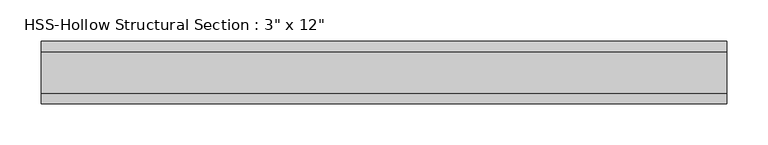
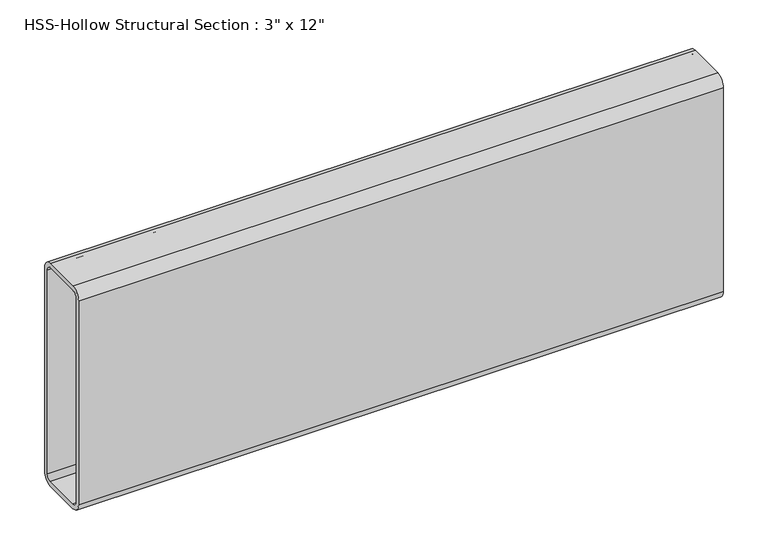
"""IFC4 building model written with IfcOpenShell, lengths in millimetres: beam geometry."""

import ifcopenshell
import ifcopenshell.guid

model = None  # the IFC model being written
_history = None  # IfcOwnerHistory: only IFC2X3 demands one
_inside = {}  # id of a spatial element -> (the spatial element, [elements in it])
_under = {}  # id of a project, library or spatial element -> (it, [spatial elements below it])
_declared = {}  # id of a project -> (the project, [libraries it declares])
_typed = {}  # id of a type object -> (the type object, [elements of that type])
_made_of = {}  # id of a material, layer set ... -> (it, [elements and type objects made of it])


def new_model(schema):
    """Start an empty IFC model of exactly this schema.

    Asked for "IFC4X3", IfcOpenShell would pick the latest addendum, in which some entities
    have other attributes; the version numbers below select the first issue.
    IFC2X3 requires an IfcOwnerHistory on every rooted entity: one is made here for all.
    """
    global model, _history
    if schema == "IFC4X3":
        model = ifcopenshell.file(schema_version=(4, 3, 0, 0))
    else:
        model = ifcopenshell.file(schema=schema)
    _inside.clear()
    _under.clear()
    _declared.clear()
    _typed.clear()
    _made_of.clear()
    _history = None
    if model.schema == "IFC2X3":
        org = make("IfcOrganization", Name="unknown")
        user = make(
            "IfcPersonAndOrganization",
            ThePerson=make("IfcPerson", FamilyName="unknown"),
            TheOrganization=org,
        )
        app = make(
            "IfcApplication",
            ApplicationDeveloper=org,
            Version="unknown",
            ApplicationFullName="unknown",
            ApplicationIdentifier="unknown",
        )
        _history = make(
            "IfcOwnerHistory",
            OwningUser=user,
            OwningApplication=app,
            ChangeAction="ADDED",
            CreationDate=0,
        )
    return model


def make(cls, **values):
    """One entity of the class cls with the attributes given. An attribute that is None is left unset."""
    return model.create_entity(
        cls, **{name: value for name, value in values.items() if value is not None}
    )


def rooted(cls, **values):
    """An entity with a GlobalId (a new one), such as an element, a storey or a relation."""
    return make(cls, GlobalId=ifcopenshell.guid.new(), OwnerHistory=_history, **values)


def si_unit(unit_type, name, prefix=None):
    """IfcSIUnit, for example si_unit("LENGTHUNIT", "METRE", prefix="MILLI")."""
    return make("IfcSIUnit", UnitType=unit_type, Prefix=prefix, Name=name)


def assignment(units):
    """IfcUnitAssignment: the units of a project."""
    return None if units is None else make("IfcUnitAssignment", Units=units)


def point(xyz):
    """IfcCartesianPoint."""
    return None if xyz is None else make("IfcCartesianPoint", Coordinates=xyz)


def direction(xyz):
    """IfcDirection."""
    return None if xyz is None else make("IfcDirection", DirectionRatios=xyz)


def frame(location, z_axis=None, x_axis=None):
    """IfcAxis2Placement3D, a coordinate frame: its origin and axes. An axis left out is left unset."""
    return make(
        "IfcAxis2Placement3D",
        Location=point(location),
        Axis=direction(z_axis),
        RefDirection=direction(x_axis),
    )


def frame_2d(location, x_axis=None):
    """IfcAxis2Placement2D, a coordinate frame in the plane: its origin and x axis."""
    return make(
        "IfcAxis2Placement2D", Location=point(location), RefDirection=direction(x_axis)
    )


def origin():
    """The frame at (0, 0, 0) with its axes left unset."""
    return frame((0.0, 0.0, 0.0))


def place(relative_to, where):
    """IfcLocalPlacement: puts the frame where relative to a parent placement (None: the world)."""
    return make(
        "IfcLocalPlacement", PlacementRelTo=relative_to, RelativePlacement=where
    )


def context(
    kind, dimensions, precision=None, world=None, true_north=None, identifier=None
):
    """IfcGeometricRepresentationContext, for example the 3D "Model" context."""
    return make(
        "IfcGeometricRepresentationContext",
        ContextIdentifier=identifier,
        ContextType=kind,
        CoordinateSpaceDimension=dimensions,
        Precision=precision,
        WorldCoordinateSystem=world,
        TrueNorth=true_north,
    )


def project(units=None, contexts=None):
    """IfcProject with its units and contexts."""
    return rooted(
        "IfcProject",
        Name="project",
        RepresentationContexts=contexts,
        UnitsInContext=assignment(units),
    )


def spatial(cls, under=None, at=None, **own):
    """A site, building, storey or space (cls), placed at a placement, below another one or the project."""
    s = rooted(cls, ObjectPlacement=at, **own)
    if under is not None:
        _under.setdefault(under.id(), (under, []))[1].append(s)
    return s


def polyline(points):
    """IfcPolyline through the points."""
    return make("IfcPolyline", Points=[point(p) for p in points])


def circle_curve(where, radius):
    """IfcCircle in the frame where."""
    return make("IfcCircle", Position=where, Radius=radius)


def trimmed(basis, trim1, trim2, sense, master):
    """IfcTrimmedCurve: the piece of a basis curve between two trims."""
    return make(
        "IfcTrimmedCurve",
        BasisCurve=basis,
        Trim1=trim1,
        Trim2=trim2,
        SenseAgreement=sense,
        MasterRepresentation=master,
    )


def segment(curve, same_sense, transition):
    """IfcCompositeCurveSegment."""
    return make(
        "IfcCompositeCurveSegment",
        Transition=transition,
        SameSense=same_sense,
        ParentCurve=curve,
    )


def composite_curve(segments, self_intersect=None):
    """IfcCompositeCurve: segments joined end to end."""
    return make("IfcCompositeCurve", Segments=segments, SelfIntersect=self_intersect)


def outline(outer, holes=None, kind="AREA"):
    """IfcArbitraryClosedProfileDef: a profile drawn as a closed curve; with holes, ...WithVoids."""
    if holes is None:
        return make("IfcArbitraryClosedProfileDef", ProfileType=kind, OuterCurve=outer)
    return make(
        "IfcArbitraryProfileDefWithVoids",
        ProfileType=kind,
        OuterCurve=outer,
        InnerCurves=holes,
    )


def extrude(swept, where, along, depth):
    """IfcExtrudedAreaSolid: the profile swept, set in the frame where, extruded along a direction by depth."""
    return make(
        "IfcExtrudedAreaSolid",
        SweptArea=swept,
        Position=where,
        ExtrudedDirection=direction(along),
        Depth=depth,
    )


def shape(context_of_items, identifier, shape_type, items):
    """IfcShapeRepresentation: the items that make up one representation, for example the "Body"."""
    return make(
        "IfcShapeRepresentation",
        ContextOfItems=context_of_items,
        RepresentationIdentifier=identifier,
        RepresentationType=shape_type,
        Items=items,
    )


def source(mapping_origin, context_of_items, identifier, shape_type, items):
    """IfcRepresentationMap: a shape defined once, which mapped items show again and again."""
    return make(
        "IfcRepresentationMap",
        MappingOrigin=mapping_origin,
        MappedRepresentation=shape(context_of_items, identifier, shape_type, items),
    )


def transform(
    local_origin,
    x_axis=None,
    y_axis=None,
    z_axis=None,
    scale=None,
    scale2=None,
    scale3=None,
    uniform=True,
):
    """IfcCartesianTransformationOperator3D, or its non-uniform kind. x_axis, y_axis, z_axis: its Axis1, 2, 3."""
    if uniform:
        return make(
            "IfcCartesianTransformationOperator3D",
            Axis1=direction(x_axis),
            Axis2=direction(y_axis),
            LocalOrigin=point(local_origin),
            Scale=scale,
            Axis3=direction(z_axis),
        )
    return make(
        "IfcCartesianTransformationOperator3DnonUniform",
        Axis1=direction(x_axis),
        Axis2=direction(y_axis),
        LocalOrigin=point(local_origin),
        Scale=scale,
        Axis3=direction(z_axis),
        Scale2=scale2,
        Scale3=scale3,
    )


def mapped(mapping_source, mapping_target):
    """IfcMappedItem: shows the shape of a source again, moved by a transform."""
    return make(
        "IfcMappedItem", MappingSource=mapping_source, MappingTarget=mapping_target
    )


def made_of(thing, what):
    """Note that an element or type object is made of a material, layer set ...; save() writes the relation."""
    if what is not None:
        _made_of.setdefault(what.id(), (what, []))[1].append(thing)
    return thing


def element(
    cls,
    number,
    at=None,
    inside=None,
    cuts=None,
    type_object=None,
    material=None,
    context=None,
    identifier="Body",
    shape_type=None,
    held_by="IfcProductDefinitionShape",
    body=None,
    shapes=None,
    **own,
):
    """One element of the class cls, such as IfcWall. Its Tag is "e" and its number.

    at: its placement. inside: the storey or other place that contains it. cuts: it is an
    opening in that element (IfcRelVoidsElement). A single representation is given by context,
    identifier, shape_type and body (its items); several are given by shapes. held_by: the class
    of the entity that holds the representations. save() writes the other relations.
    """
    e = rooted(cls, Tag="e%d" % number, ObjectPlacement=at, **own)
    if body is not None:
        shapes = [shape(context, identifier, shape_type, body)]
    if shapes is not None:
        e.Representation = make(held_by, Representations=shapes)
    if inside is not None:
        _inside.setdefault(inside.id(), (inside, []))[1].append(e)
    if cuts is not None:
        rooted(
            "IfcRelVoidsElement", RelatingBuildingElement=cuts, RelatedOpeningElement=e
        )
    if type_object is not None:
        _typed.setdefault(type_object.id(), (type_object, []))[1].append(e)
    return made_of(e, material)


def aggregate(whole, parts):
    """IfcRelAggregates: a whole, such as a stair, and the parts it consists of."""
    return rooted("IfcRelAggregates", RelatingObject=whole, RelatedObjects=parts)


def save(model, path):
    """Write the relations noted so far, then the file.

    IfcRelAggregates (storeys below a building ...), IfcRelContainedInSpatialStructure (elements
    in a storey), IfcRelDefinesByType, IfcRelAssociatesMaterial and IfcRelDeclares: one each for
    every whole, place, type object, material and project.
    """
    for whole, parts in _under.values():
        aggregate(whole, parts)
    for where, things in _inside.values():
        rooted(
            "IfcRelContainedInSpatialStructure",
            RelatedElements=things,
            RelatingStructure=where,
        )
    for kind, things in _typed.values():
        rooted("IfcRelDefinesByType", RelatedObjects=things, RelatingType=kind)
    for what, things in _made_of.values():
        rooted("IfcRelAssociatesMaterial", RelatedObjects=things, RelatingMaterial=what)
    for by, libraries in _declared.values():
        rooted("IfcRelDeclares", RelatingContext=by, RelatedDefinitions=libraries)
    model.write(path)


def beam_b04ac9da(model_context):
    return source(origin(), model_context, "Body", "SweptSolid", [
        extrude(outline(composite_curve([segment(polyline([(38.1, 139.7), (38.1, -139.7)]), True, "CONTINUOUS"), segment(trimmed(circle_curve(frame_2d((25.4, -139.7)), 12.7), [point((38.1, -139.7))], [point((25.4, -152.4))], False, "CARTESIAN"), True, "CONTINUOUS"), segment(polyline([(25.4, -152.4), (-25.4, -152.4)]), True, "CONTINUOUS"), segment(trimmed(circle_curve(frame_2d((-25.4, -139.7)), 12.7), [point((-25.4, -152.4))], [point((-38.1, -139.7))], False, "CARTESIAN"), True, "CONTINUOUS"), segment(polyline([(-38.1, -139.7), (-38.1, 139.7)]), True, "CONTINUOUS"), segment(trimmed(circle_curve(frame_2d((-25.4, 139.7)), 12.7), [point((-38.1, 139.7))], [point((-25.4, 152.4))], False, "CARTESIAN"), True, "CONTINUOUS"), segment(polyline([(-25.4, 152.4), (25.4, 152.4)]), True, "CONTINUOUS"), segment(trimmed(circle_curve(frame_2d((25.4, 139.7)), 12.7), [point((25.4, 152.4))], [point((38.1, 139.7))], False, "CARTESIAN"), True, "CONTINUOUS")], self_intersect=False), holes=[composite_curve([segment(trimmed(circle_curve(frame_2d((-25.4, 139.7)), 6.35), [point((-25.4, 146.05))], [point((-31.75, 139.7))], True, "CARTESIAN"), True, "CONTINUOUS"), segment(polyline([(-31.75, 139.7), (-31.75, -139.7)]), True, "CONTINUOUS"), segment(trimmed(circle_curve(frame_2d((-25.4, -139.7)), 6.35), [point((-31.75, -139.7))], [point((-25.4, -146.05))], True, "CARTESIAN"), True, "CONTINUOUS"), segment(polyline([(-25.4, -146.05), (25.4, -146.05)]), True, "CONTINUOUS"), segment(trimmed(circle_curve(frame_2d((25.4, -139.7)), 6.35), [point((25.4, -146.05))], [point((31.75, -139.7))], True, "CARTESIAN"), True, "CONTINUOUS"), segment(polyline([(31.75, -139.7), (31.75, 139.7)]), True, "CONTINUOUS"), segment(trimmed(circle_curve(frame_2d((25.4, 139.7)), 6.35), [point((31.75, 139.7))], [point((25.4, 146.05))], True, "CARTESIAN"), True, "CONTINUOUS"), segment(polyline([(25.4, 146.05), (-25.4, 146.05)]), True, "CONTINUOUS")], self_intersect=False)]), frame((-417.2277322, 0.0, 0.0), z_axis=(1.0, 0.0, 0.0), x_axis=(0.0, 1.0, 0.0)), (0.0, 0.0, 1.0), 834.4554644),
    ])


if __name__ == "__main__":
    model = new_model("IFC4")
    model_context = context("Model", 3, world=origin())
    ifc_project = project(units=[si_unit("LENGTHUNIT", "METRE", prefix="MILLI")], contexts=[model_context])
    site = spatial("IfcSite", under=ifc_project)
    building = spatial("IfcBuilding", under=site)
    placement = place(None, origin())
    beam_shape = beam_b04ac9da(model_context)
    element("IfcBeam", 1, ObjectType="HSS-Hollow Structural Section : 3\" x 12\"", at=placement, inside=building, context=model_context, shape_type="MappedRepresentation", body=[
        mapped(beam_shape, transform((0.0, 0.0, 0.0), x_axis=(1.0, 0.0, 0.0), y_axis=(0.0, 1.0, 0.0), z_axis=(0.0, 0.0, 1.0))),
    ])
    save(model, "model.ifc")
